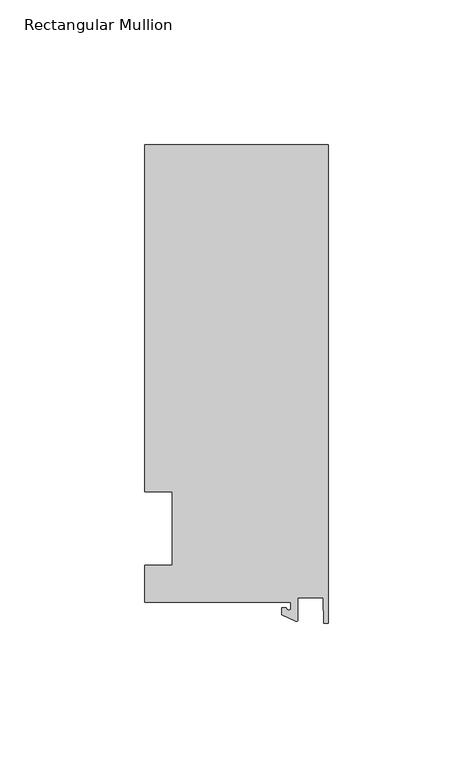
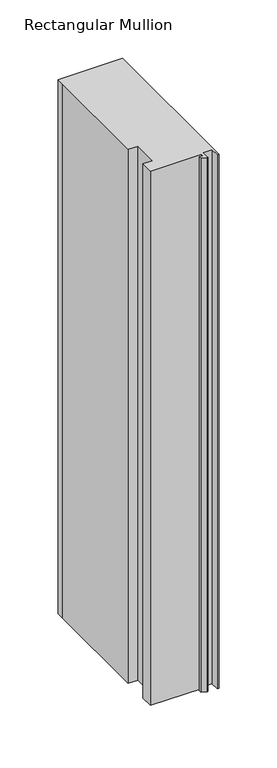
"""IFC4 building model written with IfcOpenShell, lengths in millimetres: member geometry, Rectangular Mullion."""

from ifc_helpers import new_model, si_unit, point, frame, frame_2d, origin, place, context, project, spatial, polyline, circle_curve, trimmed, segment, composite_curve, outline, extrude, source, transform, mapped, element, save


def rectangular_mullion_fd769400(model_context):
    return source(origin(), model_context, "Body", "SweptSolid", [
        extrude(outline(composite_curve([segment(polyline([(-12.8216721, -25.5984375), (-63.5, -25.5984375), (-63.5, -12.7), (-53.975, -12.7), (-53.975, 12.7), (-63.5, 12.7), (-63.5, 125.075512), (-63.5, 132.822512), (0.0, 132.822512), (0.0, -32.810012), (-1.5566453, -32.810012), (-1.7144124, -23.9227662), (-10.4340721, -23.9227662), (-10.4340721, -31.6795354)]), True, "CONTINUOUS"), segment(trimmed(circle_curve(frame_2d((-10.9420721, -31.6795354)), 0.508), [point((-10.4340721, -31.6795354))], [point((-11.1567622, -32.1399398))], False, "CARTESIAN"), True, "CONTINUOUS"), segment(polyline([(-11.1567622, -32.1399398), (-15.9966721, -29.8830527), (-15.9966721, -27.5208534), (-14.4091721, -27.5208534)]), True, "CONTINUOUS"), segment(trimmed(circle_curve(frame_2d((-13.6154221, -27.5208534)), 0.79375), [point((-14.4091721, -27.5208534))], [point((-12.8216721, -27.5208534))], True, "CARTESIAN"), True, "CONTINUOUS"), segment(polyline([(-12.8216721, -27.5208534), (-12.8216721, -25.5984375)]), True, "CONTINUOUS")], self_intersect=False)), frame((0.0, 0.0, -558.8), z_axis=(0.0, 0.0, 1.0), x_axis=(1.0, 0.0, 0.0)), (0.0, 0.0, 1.0), 558.8),
    ])


if __name__ == "__main__":
    model = new_model("IFC4")
    model_context = context("Model", 3, world=origin())
    ifc_project = project(units=[si_unit("LENGTHUNIT", "METRE", prefix="MILLI")], contexts=[model_context])
    site = spatial("IfcSite", under=ifc_project)
    building = spatial("IfcBuilding", under=site)
    placement = place(None, origin())
    rectangular_mullion_shape = rectangular_mullion_fd769400(model_context)
    element("IfcMember", 1, ObjectType="Rectangular Mullion", at=placement, inside=building, context=model_context, shape_type="MappedRepresentation", body=[
        mapped(rectangular_mullion_shape, transform((0.0, 0.0, 0.0), x_axis=(1.0, 0.0, 0.0), y_axis=(0.0, 1.0, 0.0), z_axis=(0.0, 0.0, 1.0))),
    ])
    save(model, "model.ifc")
